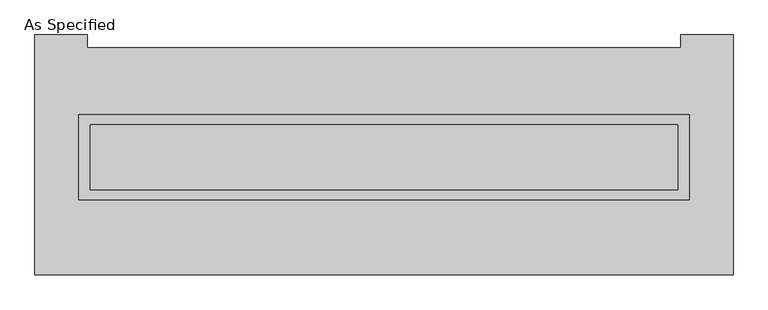
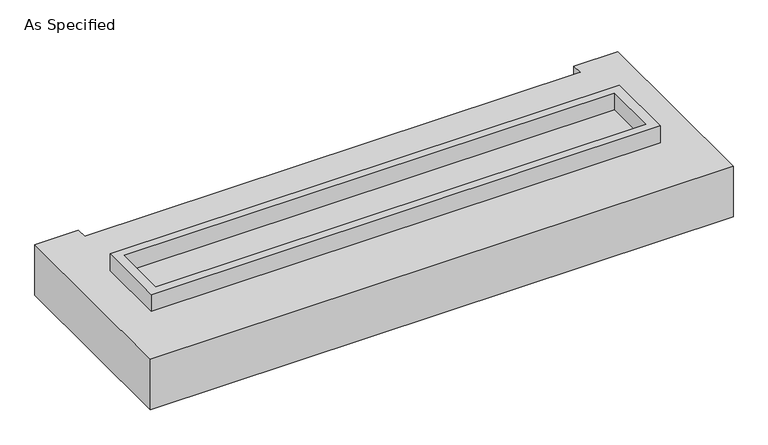
"""IFC4 building model written with IfcOpenShell, lengths in millimetres: proxy geometry, As Specified."""

import ifcopenshell
import ifcopenshell.guid

model = None  # the IFC model being written
_history = None  # IfcOwnerHistory: only IFC2X3 demands one
_inside = {}  # id of a spatial element -> (the spatial element, [elements in it])
_under = {}  # id of a project, library or spatial element -> (it, [spatial elements below it])
_declared = {}  # id of a project -> (the project, [libraries it declares])
_typed = {}  # id of a type object -> (the type object, [elements of that type])
_made_of = {}  # id of a material, layer set ... -> (it, [elements and type objects made of it])


def new_model(schema):
    """Start an empty IFC model of exactly this schema.

    Asked for "IFC4X3", IfcOpenShell would pick the latest addendum, in which some entities
    have other attributes; the version numbers below select the first issue.
    IFC2X3 requires an IfcOwnerHistory on every rooted entity: one is made here for all.
    """
    global model, _history
    if schema == "IFC4X3":
        model = ifcopenshell.file(schema_version=(4, 3, 0, 0))
    else:
        model = ifcopenshell.file(schema=schema)
    _inside.clear()
    _under.clear()
    _declared.clear()
    _typed.clear()
    _made_of.clear()
    _history = None
    if model.schema == "IFC2X3":
        org = make("IfcOrganization", Name="unknown")
        user = make(
            "IfcPersonAndOrganization",
            ThePerson=make("IfcPerson", FamilyName="unknown"),
            TheOrganization=org,
        )
        app = make(
            "IfcApplication",
            ApplicationDeveloper=org,
            Version="unknown",
            ApplicationFullName="unknown",
            ApplicationIdentifier="unknown",
        )
        _history = make(
            "IfcOwnerHistory",
            OwningUser=user,
            OwningApplication=app,
            ChangeAction="ADDED",
            CreationDate=0,
        )
    return model


def make(cls, **values):
    """One entity of the class cls with the attributes given. An attribute that is None is left unset."""
    return model.create_entity(
        cls, **{name: value for name, value in values.items() if value is not None}
    )


def rooted(cls, **values):
    """An entity with a GlobalId (a new one), such as an element, a storey or a relation."""
    return make(cls, GlobalId=ifcopenshell.guid.new(), OwnerHistory=_history, **values)


def si_unit(unit_type, name, prefix=None):
    """IfcSIUnit, for example si_unit("LENGTHUNIT", "METRE", prefix="MILLI")."""
    return make("IfcSIUnit", UnitType=unit_type, Prefix=prefix, Name=name)


def assignment(units):
    """IfcUnitAssignment: the units of a project."""
    return None if units is None else make("IfcUnitAssignment", Units=units)


def point(xyz):
    """IfcCartesianPoint."""
    return None if xyz is None else make("IfcCartesianPoint", Coordinates=xyz)


def direction(xyz):
    """IfcDirection."""
    return None if xyz is None else make("IfcDirection", DirectionRatios=xyz)


def frame(location, z_axis=None, x_axis=None):
    """IfcAxis2Placement3D, a coordinate frame: its origin and axes. An axis left out is left unset."""
    return make(
        "IfcAxis2Placement3D",
        Location=point(location),
        Axis=direction(z_axis),
        RefDirection=direction(x_axis),
    )


def origin():
    """The frame at (0, 0, 0) with its axes left unset."""
    return frame((0.0, 0.0, 0.0))


def place(relative_to, where):
    """IfcLocalPlacement: puts the frame where relative to a parent placement (None: the world)."""
    return make(
        "IfcLocalPlacement", PlacementRelTo=relative_to, RelativePlacement=where
    )


def context(
    kind, dimensions, precision=None, world=None, true_north=None, identifier=None
):
    """IfcGeometricRepresentationContext, for example the 3D "Model" context."""
    return make(
        "IfcGeometricRepresentationContext",
        ContextIdentifier=identifier,
        ContextType=kind,
        CoordinateSpaceDimension=dimensions,
        Precision=precision,
        WorldCoordinateSystem=world,
        TrueNorth=true_north,
    )


def project(units=None, contexts=None):
    """IfcProject with its units and contexts."""
    return rooted(
        "IfcProject",
        Name="project",
        RepresentationContexts=contexts,
        UnitsInContext=assignment(units),
    )


def spatial(cls, under=None, at=None, **own):
    """A site, building, storey or space (cls), placed at a placement, below another one or the project."""
    s = rooted(cls, ObjectPlacement=at, **own)
    if under is not None:
        _under.setdefault(under.id(), (under, []))[1].append(s)
    return s


def polyline(points):
    """IfcPolyline through the points."""
    return make("IfcPolyline", Points=[point(p) for p in points])


def outline(outer, holes=None, kind="AREA"):
    """IfcArbitraryClosedProfileDef: a profile drawn as a closed curve; with holes, ...WithVoids."""
    if holes is None:
        return make("IfcArbitraryClosedProfileDef", ProfileType=kind, OuterCurve=outer)
    return make(
        "IfcArbitraryProfileDefWithVoids",
        ProfileType=kind,
        OuterCurve=outer,
        InnerCurves=holes,
    )


def extrude(swept, where, along, depth):
    """IfcExtrudedAreaSolid: the profile swept, set in the frame where, extruded along a direction by depth."""
    return make(
        "IfcExtrudedAreaSolid",
        SweptArea=swept,
        Position=where,
        ExtrudedDirection=direction(along),
        Depth=depth,
    )


def faces_of(points, faces, orient=None, outer=None):
    """IfcFace entities. A face is a list of loops; a loop is a list of indices into points, from 0.

    orient and outer hold one flag for each loop. By default every Orientation is true, the
    first loop of a face is its IfcFaceOuterBound and the others are IfcFaceBound.
    """
    made = []
    for i, loops in enumerate(faces):
        bounds = []
        for j, loop in enumerate(loops):
            is_outer = j == 0 if outer is None else outer[i][j]
            bounds.append(
                make(
                    "IfcFaceOuterBound" if is_outer else "IfcFaceBound",
                    Bound=make("IfcPolyLoop", Polygon=[points[k] for k in loop]),
                    Orientation=True if orient is None else orient[i][j],
                )
            )
        made.append(make("IfcFace", Bounds=bounds))
    return made


def faceted_brep(points, faces, orient=None, outer=None, voids=None):
    """IfcFacetedBrep: a solid bounded by flat faces; with voids (closed shells), ...WithVoids."""
    shared = [point(p) for p in points]
    hull = make("IfcClosedShell", CfsFaces=faces_of(shared, faces, orient, outer))
    if voids is None:
        return make("IfcFacetedBrep", Outer=hull)
    return make(
        "IfcFacetedBrepWithVoids",
        Outer=hull,
        Voids=[
            make(cls, CfsFaces=faces_of(shared, fs, o, b)) for cls, fs, o, b in voids
        ],
    )


def shape(context_of_items, identifier, shape_type, items):
    """IfcShapeRepresentation: the items that make up one representation, for example the "Body"."""
    return make(
        "IfcShapeRepresentation",
        ContextOfItems=context_of_items,
        RepresentationIdentifier=identifier,
        RepresentationType=shape_type,
        Items=items,
    )


def source(mapping_origin, context_of_items, identifier, shape_type, items):
    """IfcRepresentationMap: a shape defined once, which mapped items show again and again."""
    return make(
        "IfcRepresentationMap",
        MappingOrigin=mapping_origin,
        MappedRepresentation=shape(context_of_items, identifier, shape_type, items),
    )


def transform(
    local_origin,
    x_axis=None,
    y_axis=None,
    z_axis=None,
    scale=None,
    scale2=None,
    scale3=None,
    uniform=True,
):
    """IfcCartesianTransformationOperator3D, or its non-uniform kind. x_axis, y_axis, z_axis: its Axis1, 2, 3."""
    if uniform:
        return make(
            "IfcCartesianTransformationOperator3D",
            Axis1=direction(x_axis),
            Axis2=direction(y_axis),
            LocalOrigin=point(local_origin),
            Scale=scale,
            Axis3=direction(z_axis),
        )
    return make(
        "IfcCartesianTransformationOperator3DnonUniform",
        Axis1=direction(x_axis),
        Axis2=direction(y_axis),
        LocalOrigin=point(local_origin),
        Scale=scale,
        Axis3=direction(z_axis),
        Scale2=scale2,
        Scale3=scale3,
    )


def mapped(mapping_source, mapping_target):
    """IfcMappedItem: shows the shape of a source again, moved by a transform."""
    return make(
        "IfcMappedItem", MappingSource=mapping_source, MappingTarget=mapping_target
    )


def made_of(thing, what):
    """Note that an element or type object is made of a material, layer set ...; save() writes the relation."""
    if what is not None:
        _made_of.setdefault(what.id(), (what, []))[1].append(thing)
    return thing


def element(
    cls,
    number,
    at=None,
    inside=None,
    cuts=None,
    type_object=None,
    material=None,
    context=None,
    identifier="Body",
    shape_type=None,
    held_by="IfcProductDefinitionShape",
    body=None,
    shapes=None,
    **own,
):
    """One element of the class cls, such as IfcWall. Its Tag is "e" and its number.

    at: its placement. inside: the storey or other place that contains it. cuts: it is an
    opening in that element (IfcRelVoidsElement). A single representation is given by context,
    identifier, shape_type and body (its items); several are given by shapes. held_by: the class
    of the entity that holds the representations. save() writes the other relations.
    """
    e = rooted(cls, Tag="e%d" % number, ObjectPlacement=at, **own)
    if body is not None:
        shapes = [shape(context, identifier, shape_type, body)]
    if shapes is not None:
        e.Representation = make(held_by, Representations=shapes)
    if inside is not None:
        _inside.setdefault(inside.id(), (inside, []))[1].append(e)
    if cuts is not None:
        rooted(
            "IfcRelVoidsElement", RelatingBuildingElement=cuts, RelatedOpeningElement=e
        )
    if type_object is not None:
        _typed.setdefault(type_object.id(), (type_object, []))[1].append(e)
    return made_of(e, material)


def aggregate(whole, parts):
    """IfcRelAggregates: a whole, such as a stair, and the parts it consists of."""
    return rooted("IfcRelAggregates", RelatingObject=whole, RelatedObjects=parts)


def save(model, path):
    """Write the relations noted so far, then the file.

    IfcRelAggregates (storeys below a building ...), IfcRelContainedInSpatialStructure (elements
    in a storey), IfcRelDefinesByType, IfcRelAssociatesMaterial and IfcRelDeclares: one each for
    every whole, place, type object, material and project.
    """
    for whole, parts in _under.values():
        aggregate(whole, parts)
    for where, things in _inside.values():
        rooted(
            "IfcRelContainedInSpatialStructure",
            RelatedElements=things,
            RelatingStructure=where,
        )
    for kind, things in _typed.values():
        rooted("IfcRelDefinesByType", RelatedObjects=things, RelatingType=kind)
    for what, things in _made_of.values():
        rooted("IfcRelAssociatesMaterial", RelatedObjects=things, RelatingMaterial=what)
    for by, libraries in _declared.values():
        rooted("IfcRelDeclares", RelatingContext=by, RelatedDefinitions=libraries)
    model.write(path)


def as_specified_33ba268b(model_context):
    return source(origin(), model_context, "Body", "SolidModel", [
        extrude(outline(polyline([(2374.9, 361.95), (2374.9, -298.45), (-2374.9, -298.45), (-2374.9, 361.95), (2374.9, 361.95)]), holes=[polyline([(2286.0, 285.75), (-2286.0, 285.75), (-2286.0, -222.25), (2286.0, -222.25), (2286.0, 285.75)])]), frame((0.0, 0.0, -25.4), z_axis=(0.0, 0.0, 1.0), x_axis=(1.0, 0.0, 0.0)), (0.0, 0.0, 1.0), 165.1),
        extrude(outline(polyline([(2286.0, 285.75), (2286.0, -222.25), (-2286.0, -222.25), (-2286.0, 285.75), (2286.0, 285.75)])), frame((0.0, 0.0, -30.3609375), z_axis=(0.0, 0.0, 1.0), x_axis=(1.0, 0.0, 0.0)), (0.0, 0.0, 1.0), 4.9609375),
        faceted_brep([(2717.8, -882.65, -523.875), (-2717.8, -882.65, -523.875), (-2717.8, 984.25, -523.875), (-2311.4, 984.25, -523.875), (-2311.4, 882.65, -523.875), (2311.4, 882.65, -523.875), (2311.4, 984.25, -523.875), (2717.8, 984.25, -523.875), (-2717.8, -882.65, -25.4), (2717.8, -882.65, -25.4), (2717.8, 984.25, -25.4), (2311.4, 984.25, -25.4), (2311.4, 882.65, -25.4), (-2311.4, 882.65, -25.4), (-2311.4, 984.25, -25.4), (-2717.8, 984.25, -25.4), (-2374.9, -298.45, -25.4), (-2374.9, 361.95, -25.4), (2374.9, 361.95, -25.4), (2374.9, -298.45, -25.4), (2374.9, 361.95, -498.475), (-2374.9, 361.95, -498.475), (-2374.9, -298.45, -498.475), (2374.9, -298.45, -498.475)], [[[0, 1, 2, 3, 4, 5, 6, 7]], [[8, 9, 10, 11, 12, 13, 14, 15], [16, 17, 18, 19]], [[4, 13, 12, 5]], [[1, 8, 15, 2]], [[10, 9, 0, 7]], [[20, 21, 22, 23]], [[22, 21, 17, 16]], [[21, 20, 18, 17]], [[20, 23, 19, 18]], [[16, 19, 23, 22]], [[1, 0, 9, 8]], [[4, 3, 14, 13]], [[3, 2, 15, 14]], [[6, 5, 12, 11]], [[7, 6, 11, 10]]]),
    ])


if __name__ == "__main__":
    model = new_model("IFC4")
    model_context = context("Model", 3, world=origin())
    ifc_project = project(units=[si_unit("LENGTHUNIT", "METRE", prefix="MILLI")], contexts=[model_context])
    site = spatial("IfcSite", under=ifc_project)
    building = spatial("IfcBuilding", under=site)
    placement = place(None, origin())
    as_specified_shape = as_specified_33ba268b(model_context)
    element("IfcBuildingElementProxy", 1, Name="As Specified", ObjectType="As Specified", at=placement, inside=building, context=model_context, shape_type="MappedRepresentation", body=[
        mapped(as_specified_shape, transform((0.0, 0.0, 0.0), x_axis=(1.0, 0.0, 0.0), y_axis=(0.0, 1.0, 0.0), z_axis=(0.0, 0.0, 1.0))),
    ])
    save(model, "model.ifc")
